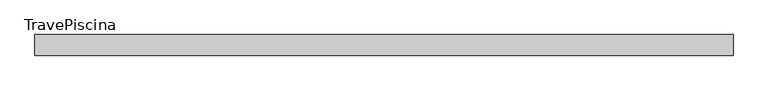
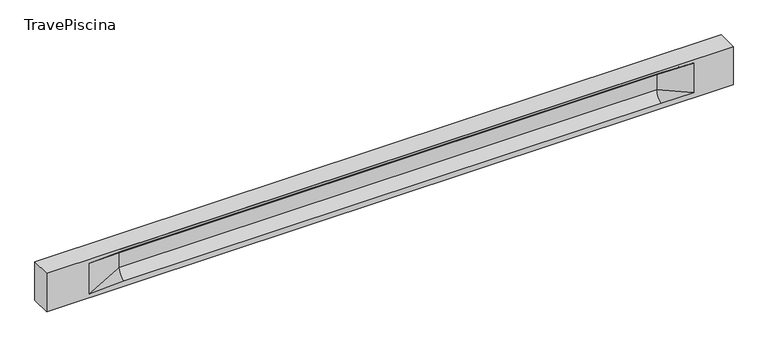
"""IFC4 building model written with IfcOpenShell, lengths in millimetres: beam geometry, TravePiscina."""

import ifcopenshell
import ifcopenshell.guid

model = None  # the IFC model being written
_history = None  # IfcOwnerHistory: only IFC2X3 demands one
_inside = {}  # id of a spatial element -> (the spatial element, [elements in it])
_under = {}  # id of a project, library or spatial element -> (it, [spatial elements below it])
_declared = {}  # id of a project -> (the project, [libraries it declares])
_typed = {}  # id of a type object -> (the type object, [elements of that type])
_made_of = {}  # id of a material, layer set ... -> (it, [elements and type objects made of it])


def new_model(schema):
    """Start an empty IFC model of exactly this schema.

    Asked for "IFC4X3", IfcOpenShell would pick the latest addendum, in which some entities
    have other attributes; the version numbers below select the first issue.
    IFC2X3 requires an IfcOwnerHistory on every rooted entity: one is made here for all.
    """
    global model, _history
    if schema == "IFC4X3":
        model = ifcopenshell.file(schema_version=(4, 3, 0, 0))
    else:
        model = ifcopenshell.file(schema=schema)
    _inside.clear()
    _under.clear()
    _declared.clear()
    _typed.clear()
    _made_of.clear()
    _history = None
    if model.schema == "IFC2X3":
        org = make("IfcOrganization", Name="unknown")
        user = make(
            "IfcPersonAndOrganization",
            ThePerson=make("IfcPerson", FamilyName="unknown"),
            TheOrganization=org,
        )
        app = make(
            "IfcApplication",
            ApplicationDeveloper=org,
            Version="unknown",
            ApplicationFullName="unknown",
            ApplicationIdentifier="unknown",
        )
        _history = make(
            "IfcOwnerHistory",
            OwningUser=user,
            OwningApplication=app,
            ChangeAction="ADDED",
            CreationDate=0,
        )
    return model


def make(cls, **values):
    """One entity of the class cls with the attributes given. An attribute that is None is left unset."""
    return model.create_entity(
        cls, **{name: value for name, value in values.items() if value is not None}
    )


def rooted(cls, **values):
    """An entity with a GlobalId (a new one), such as an element, a storey or a relation."""
    return make(cls, GlobalId=ifcopenshell.guid.new(), OwnerHistory=_history, **values)


def si_unit(unit_type, name, prefix=None):
    """IfcSIUnit, for example si_unit("LENGTHUNIT", "METRE", prefix="MILLI")."""
    return make("IfcSIUnit", UnitType=unit_type, Prefix=prefix, Name=name)


def assignment(units):
    """IfcUnitAssignment: the units of a project."""
    return None if units is None else make("IfcUnitAssignment", Units=units)


def point(xyz):
    """IfcCartesianPoint."""
    return None if xyz is None else make("IfcCartesianPoint", Coordinates=xyz)


def direction(xyz):
    """IfcDirection."""
    return None if xyz is None else make("IfcDirection", DirectionRatios=xyz)


def frame(location, z_axis=None, x_axis=None):
    """IfcAxis2Placement3D, a coordinate frame: its origin and axes. An axis left out is left unset."""
    return make(
        "IfcAxis2Placement3D",
        Location=point(location),
        Axis=direction(z_axis),
        RefDirection=direction(x_axis),
    )


def origin():
    """The frame at (0, 0, 0) with its axes left unset."""
    return frame((0.0, 0.0, 0.0))


def place(relative_to, where):
    """IfcLocalPlacement: puts the frame where relative to a parent placement (None: the world)."""
    return make(
        "IfcLocalPlacement", PlacementRelTo=relative_to, RelativePlacement=where
    )


def context(
    kind, dimensions, precision=None, world=None, true_north=None, identifier=None
):
    """IfcGeometricRepresentationContext, for example the 3D "Model" context."""
    return make(
        "IfcGeometricRepresentationContext",
        ContextIdentifier=identifier,
        ContextType=kind,
        CoordinateSpaceDimension=dimensions,
        Precision=precision,
        WorldCoordinateSystem=world,
        TrueNorth=true_north,
    )


def project(units=None, contexts=None):
    """IfcProject with its units and contexts."""
    return rooted(
        "IfcProject",
        Name="project",
        RepresentationContexts=contexts,
        UnitsInContext=assignment(units),
    )


def spatial(cls, under=None, at=None, **own):
    """A site, building, storey or space (cls), placed at a placement, below another one or the project."""
    s = rooted(cls, ObjectPlacement=at, **own)
    if under is not None:
        _under.setdefault(under.id(), (under, []))[1].append(s)
    return s


def polyline(points):
    """IfcPolyline through the points."""
    return make("IfcPolyline", Points=[point(p) for p in points])


def circle_curve(where, radius):
    """IfcCircle in the frame where."""
    return make("IfcCircle", Position=where, Radius=radius)


def shape(context_of_items, identifier, shape_type, items):
    """IfcShapeRepresentation: the items that make up one representation, for example the "Body"."""
    return make(
        "IfcShapeRepresentation",
        ContextOfItems=context_of_items,
        RepresentationIdentifier=identifier,
        RepresentationType=shape_type,
        Items=items,
    )


def source(mapping_origin, context_of_items, identifier, shape_type, items):
    """IfcRepresentationMap: a shape defined once, which mapped items show again and again."""
    return make(
        "IfcRepresentationMap",
        MappingOrigin=mapping_origin,
        MappedRepresentation=shape(context_of_items, identifier, shape_type, items),
    )


def transform(
    local_origin,
    x_axis=None,
    y_axis=None,
    z_axis=None,
    scale=None,
    scale2=None,
    scale3=None,
    uniform=True,
):
    """IfcCartesianTransformationOperator3D, or its non-uniform kind. x_axis, y_axis, z_axis: its Axis1, 2, 3."""
    if uniform:
        return make(
            "IfcCartesianTransformationOperator3D",
            Axis1=direction(x_axis),
            Axis2=direction(y_axis),
            LocalOrigin=point(local_origin),
            Scale=scale,
            Axis3=direction(z_axis),
        )
    return make(
        "IfcCartesianTransformationOperator3DnonUniform",
        Axis1=direction(x_axis),
        Axis2=direction(y_axis),
        LocalOrigin=point(local_origin),
        Scale=scale,
        Axis3=direction(z_axis),
        Scale2=scale2,
        Scale3=scale3,
    )


def mapped(mapping_source, mapping_target):
    """IfcMappedItem: shows the shape of a source again, moved by a transform."""
    return make(
        "IfcMappedItem", MappingSource=mapping_source, MappingTarget=mapping_target
    )


def made_of(thing, what):
    """Note that an element or type object is made of a material, layer set ...; save() writes the relation."""
    if what is not None:
        _made_of.setdefault(what.id(), (what, []))[1].append(thing)
    return thing


def element(
    cls,
    number,
    at=None,
    inside=None,
    cuts=None,
    type_object=None,
    material=None,
    context=None,
    identifier="Body",
    shape_type=None,
    held_by="IfcProductDefinitionShape",
    body=None,
    shapes=None,
    **own,
):
    """One element of the class cls, such as IfcWall. Its Tag is "e" and its number.

    at: its placement. inside: the storey or other place that contains it. cuts: it is an
    opening in that element (IfcRelVoidsElement). A single representation is given by context,
    identifier, shape_type and body (its items); several are given by shapes. held_by: the class
    of the entity that holds the representations. save() writes the other relations.
    """
    e = rooted(cls, Tag="e%d" % number, ObjectPlacement=at, **own)
    if body is not None:
        shapes = [shape(context, identifier, shape_type, body)]
    if shapes is not None:
        e.Representation = make(held_by, Representations=shapes)
    if inside is not None:
        _inside.setdefault(inside.id(), (inside, []))[1].append(e)
    if cuts is not None:
        rooted(
            "IfcRelVoidsElement", RelatingBuildingElement=cuts, RelatedOpeningElement=e
        )
    if type_object is not None:
        _typed.setdefault(type_object.id(), (type_object, []))[1].append(e)
    return made_of(e, material)


def aggregate(whole, parts):
    """IfcRelAggregates: a whole, such as a stair, and the parts it consists of."""
    return rooted("IfcRelAggregates", RelatingObject=whole, RelatedObjects=parts)


def save(model, path):
    """Write the relations noted so far, then the file.

    IfcRelAggregates (storeys below a building ...), IfcRelContainedInSpatialStructure (elements
    in a storey), IfcRelDefinesByType, IfcRelAssociatesMaterial and IfcRelDeclares: one each for
    every whole, place, type object, material and project.
    """
    for whole, parts in _under.values():
        aggregate(whole, parts)
    for where, things in _inside.values():
        rooted(
            "IfcRelContainedInSpatialStructure",
            RelatedElements=things,
            RelatingStructure=where,
        )
    for kind, things in _typed.values():
        rooted("IfcRelDefinesByType", RelatedObjects=things, RelatingType=kind)
    for what, things in _made_of.values():
        rooted("IfcRelAssociatesMaterial", RelatedObjects=things, RelatingMaterial=what)
    for by, libraries in _declared.values():
        rooted("IfcRelDeclares", RelatingContext=by, RelatedDefinitions=libraries)
    model.write(path)


def plane_surface(at):
    """IfcPlane: the flat surface through the origin of the frame at, square to its z axis."""
    return make("IfcPlane", Position=at)


def revolved_surface(curve, axis_point, axis_direction):
    """IfcSurfaceOfRevolution: the curve turned about the line through axis_point along axis_direction."""
    return make(
        "IfcSurfaceOfRevolution",
        SweptCurve=make("IfcArbitraryOpenProfileDef", ProfileType="CURVE", Curve=curve),
        AxisPosition=make("IfcAxis1Placement", Location=point(axis_point), Axis=direction(axis_direction)),
    )


def spline_surface(u_degree, v_degree, points, u_multiplicities, v_multiplicities, u_knots, v_knots, weights=None):
    """IfcBSplineSurfaceWithKnots; with weights, IfcRationalBSplineSurfaceWithKnots. points: one row for each step in u."""
    own = dict(
        UDegree=u_degree,
        VDegree=v_degree,
        ControlPointsList=[[point(p) for p in row] for row in points],
        SurfaceForm="UNSPECIFIED",
        UClosed=False,
        VClosed=False,
        SelfIntersect=False,
        UMultiplicities=u_multiplicities,
        VMultiplicities=v_multiplicities,
        UKnots=u_knots,
        VKnots=v_knots,
        KnotSpec="UNSPECIFIED",
    )
    if weights is None:
        return make("IfcBSplineSurfaceWithKnots", **own)
    return make("IfcRationalBSplineSurfaceWithKnots", WeightsData=weights, **own)


def advanced_brep(points, edges, surfaces, faces):
    """IfcAdvancedBrep: a solid bounded by faces that lie on surfaces and meet in shared edges.

    An edge is (start, end): straight between two places in points (the first is 0);
    or (start, end, curve); or (start, end, curve, False) where it runs against its curve.
    A face is (place in surfaces, loops), or (place, loops, False) where it looks against
    its surface's normal. A loop lists edges by number (the first is 1), with a minus sign
    where the edge is run from its end to its start. The first loop is the outer one.
    """
    corners = [point(p) for p in points]
    vertices = [make("IfcVertexPoint", VertexGeometry=c) for c in corners]
    made = []
    for start, end, *more in edges:
        made.append(
            make(
                "IfcEdgeCurve",
                EdgeStart=vertices[start],
                EdgeEnd=vertices[end],
                EdgeGeometry=more[0] if more else make("IfcPolyline", Points=[corners[start], corners[end]]),
                SameSense=more[1] if len(more) > 1 else True,
            )
        )
    hull = []
    for where, loops, *sense in faces:
        bounds = []
        for j, loop in enumerate(loops):
            ring = [make("IfcOrientedEdge", EdgeElement=made[abs(k) - 1], Orientation=k > 0) for k in loop]
            bounds.append(
                make(
                    "IfcFaceOuterBound" if j == 0 else "IfcFaceBound",
                    Bound=make("IfcEdgeLoop", EdgeList=ring),
                    Orientation=True,
                )
            )
        hull.append(make("IfcAdvancedFace", Bounds=bounds, FaceSurface=surfaces[where], SameSense=sense[0] if sense else True))
    return make("IfcAdvancedBrep", Outer=make("IfcClosedShell", CfsFaces=hull))


def travepiscina_1288007a(model_context):
    return source(origin(), model_context, "Body", "AdvancedBrep", [
        advanced_brep(
        [(8476.5, -250.0, 500.0), (8476.5, -250.0, -500.0), (8476.5, 250.0, -500.0), (8476.5, 250.0, 500.0), (-8476.5, -250.0, 500.0), (-8476.5, -250.0, -500.0), (7501.5, -250.0, -362.0), (6701.5, -250.0, -360.0), (-6576.5, -250.0, -360.0), (-7426.5, -250.0, -400.0), (-7426.5, -250.0, 400.0), (-6576.5, -250.0, 435.0), (6701.5, -250.0, 435.0), (7501.5, -250.0, 400.0), (-8476.5, 250.0, -500.0), (-8476.5, 250.0, 500.0), (7501.5, 250.0, 400.0), (6701.5, 250.0, 435.0), (-6576.5, 250.0, 435.0), (-7426.5, 250.0, 400.0), (-7426.5, 250.0, -400.0), (-6576.5, 250.0, -360.0), (6701.5, 250.0, -360.0), (7501.5, 250.0, -362.0), (6701.5, 155.0, 405.0), (-6576.5, 155.0, 405.0), (-6576.5, -60.0, 262.777021), (6701.5, -60.0, 262.777021), (6701.5, -155.0, 405.0), (-6576.5, -155.0, 405.0), (-6576.5, 60.0, 262.777021), (6701.5, 60.0, 262.777021), (6701.5, 60.0, -120.0), (-6576.5, 60.0, -120.0), (-6576.5, -60.0, -120.0), (6701.5, -60.0, -120.0)],
        [
            (0, 1),
            (1, 2),
            (2, 3),
            (3, 0),
            (0, 4),
            (4, 5),
            (5, 1),
            (6, 7),
            (7, 8),
            (8, 9),
            (9, 10),
            (10, 11),
            (11, 12),
            (12, 13),
            (13, 6),
            (5, 14),
            (14, 2),
            (14, 15),
            (15, 3),
            (16, 17),
            (17, 18),
            (18, 19),
            (19, 20),
            (20, 21),
            (21, 22),
            (22, 23),
            (23, 16),
            (15, 4),
            (17, 24),
            (24, 25),
            (25, 18),
            (26, 27),
            (27, 28, circle_curve(frame((6701.5, -213.9598725, 262.777021), z_axis=(1.0, 0.0, 0.0), x_axis=(0.0, 1.0, 0.0)), 153.9598725)),
            (28, 29),
            (29, 26, circle_curve(frame((-6576.5, -213.9598725, 262.777021), z_axis=(-1.0, 0.0, 0.0), x_axis=(0.0, 1.0, 0.0)), 153.9598725)),
            (30, 31),
            (31, 32),
            (32, 33),
            (33, 30),
            (28, 12),
            (11, 29),
            (34, 35),
            (35, 27),
            (26, 34),
            (25, 19),
            (22, 32, circle_curve(frame((6701.5, 306.5789474, -120.0), z_axis=(-1.0, 0.0, 0.0), x_axis=(0.0, 1.0, 0.0)), 246.5789474)),
            (32, 23),
            (10, 29),
            (10, 26),
            (13, 28),
            (27, 13),
            (30, 19),
            (25, 30, circle_curve(frame((-6576.5, 213.9598725, 262.777021), z_axis=(1.0, 0.0, 0.0), x_axis=(0.0, 1.0, 0.0)), 153.9598725)),
            (9, 34),
            (8, 34, circle_curve(frame((-6576.5, -306.5789474, -120.0), z_axis=(1.0, 0.0, 0.0), x_axis=(0.0, 1.0, 0.0)), 246.5789474)),
            (20, 33),
            (33, 21, circle_curve(frame((-6576.5, 306.5789474, -120.0), z_axis=(1.0, 0.0, 0.0), x_axis=(0.0, 1.0, 0.0)), 246.5789474)),
            (35, 6),
            (35, 7, circle_curve(frame((6701.5, -306.5789474, -120.0), z_axis=(-1.0, 0.0, 0.0), x_axis=(0.0, 1.0, 0.0)), 246.5789474)),
            (31, 16),
            (31, 24, circle_curve(frame((6701.5, 213.9598725, 262.777021), z_axis=(-1.0, 0.0, 0.0), x_axis=(0.0, 1.0, 0.0)), 153.9598725)),
            (24, 16),
        ],
        [
            plane_surface(frame((8476.5, 0.0, 0.0), z_axis=(1.0, 0.0, 0.0), x_axis=(0.0, 0.0, 1.0))),
            plane_surface(frame((8476.5, -250.0, 500.0), z_axis=(0.0, -1.0, 0.0), x_axis=(-1.0, 0.0, 0.0))),
            plane_surface(frame((8476.5, -250.0, -500.0), z_axis=(0.0, 0.0, -1.0), x_axis=(-1.0, 0.0, 0.0))),
            plane_surface(frame((8476.5, 250.0, -500.0), z_axis=(0.0, 1.0, 0.0), x_axis=(-1.0, 0.0, 0.0))),
            plane_surface(frame((8476.5, 250.0, 500.0), z_axis=(0.0, 0.0, 1.0), x_axis=(-1.0, 0.0, 0.0))),
            plane_surface(frame((-6576.5, 250.0, 435.0), z_axis=(0.0, 0.30113136793710954, -0.9535826651341378), x_axis=(1.0, 0.0, 0.0))),
            plane_surface(frame((-8476.5, 0.0, 0.0), z_axis=(-1.0, 0.0, 0.0), x_axis=(0.0, 0.0, 1.0))),
            revolved_surface(polyline([(6701.5, -60.0, 262.777021), (-6576.5, -60.0, 262.777021)]), (-6576.5, -213.9598725, 262.777021), (1.0, 0.0, 0.0)),
            plane_surface(frame((-6576.5, 60.0, 262.777021), z_axis=(0.0, 1.0, 0.0), x_axis=(1.0, 0.0, 0.0))),
            plane_surface(frame((-6576.5, -155.0, 405.0), z_axis=(0.0, -0.30113136793710693, -0.9535826651341387), x_axis=(1.0, 0.0, 0.0))),
            plane_surface(frame((-6576.5, -60.0, -120.0), z_axis=(0.0, -1.0, 0.0), x_axis=(1.0, 0.0, 0.0))),
            plane_surface(frame((-7426.5, 250.0, 400.0), z_axis=(0.03923493491469425, 0.30089950084952793, -0.9528484193567961), x_axis=(0.0, 0.9535826651341378, 0.30113136793710954))),
            spline_surface(2, 1, [[(6701.5, 250.0, -360.0), (7501.5, 250.0, -362.0)], [(6701.5, 60.00000002887427, -315.20833329480604), (7501.5, 250.0, -362.0)], [(6701.5, 60.0, -120.0), (7501.5, 250.0, -362.0)]], [3, 3], [2, 2], [0.0, 1.0], [0.0, 1.0], weights=[[1.0, 1.0], [0.7840458245391329, 0.7840458245391329], [1.0, 1.0]]),
            plane_surface(frame((-7426.5, -250.0, 400.0), z_axis=(0.03923493491469428, -0.3008995008495253, -0.952848419356797), x_axis=(0.0, 0.9535826651341387, -0.30113136793710693))),
            spline_surface(2, 1, [[(-7426.5, -250.0, 400.0), (-6576.5, -155.0, 405.0)], [(-7426.5, -250.0, 400.0), (-6576.5, -60.00000008030692, 365.6168572114734)], [(-7426.5, -250.0, 400.0), (-6576.5, -60.0, 262.777021)]], [3, 3], [2, 2], [0.0, 1.0], [0.0, 1.0], weights=[[1.0, 1.0], [0.8315515924557569, 0.8315515924557569], [1.0, 1.0]]),
            spline_surface(2, 1, [[(6701.5, -155.0, 405.0), (7501.5, -250.0, 400.0)], [(6701.5, -60.00000008030692, 365.6168572114734), (7501.5, -250.0, 400.0)], [(6701.5, -60.0, 262.777021), (7501.5, -250.0, 400.0)]], [3, 3], [2, 2], [0.0, 1.0], [0.0, 1.0], weights=[[1.0, 1.0], [0.8315515924557569, 0.8315515924557569], [1.0, 1.0]]),
            plane_surface(frame((6701.5, -202.5, 420.0), z_axis=(-0.041682982855687514, -0.30086965068766125, -0.9527538938442274), x_axis=(0.0, 0.9535826651341387, -0.30113136793710693))),
            spline_surface(2, 1, [[(-7426.5, 250.0, 400.0), (-6576.5, 60.0, 262.777021)], [(-7426.5, 250.0, 400.0), (-6576.5, 59.99999995452379, 365.6168572954922)], [(-7426.5, 250.0, 400.0), (-6576.5, 155.0, 405.0)]], [3, 3], [2, 2], [0.0, 1.0], [0.0, 1.0], weights=[[1.0, 1.0], [0.8315515921160737, 0.8315515921160737], [1.0, 1.0]]),
            plane_surface(frame((-7426.5, -250.0, 0.0), z_axis=(0.21814596370705175, -0.9759161534262673, 0.0), x_axis=(0.0, 0.0, -1.0))),
            spline_surface(2, 1, [[(-7426.5, -250.0, -400.0), (-6576.5, -60.0, -120.0)], [(-7426.5, -250.0, -400.0), (-6576.5, -59.99999998020837, -315.20833333333337)], [(-7426.5, -250.0, -400.0), (-6576.5, -250.0, -360.0)]], [3, 3], [2, 2], [0.0, 1.0], [0.0, 1.0], weights=[[1.0, 1.0], [0.7840458244617614, 0.7840458244617614], [1.0, 1.0]]),
            spline_surface(2, 1, [[(-7426.5, 250.0, -400.0), (-6576.5, 250.0, -360.0)], [(-7426.5, 250.0, -400.0), (-6576.5, 60.00000002887427, -315.20833329480604)], [(-7426.5, 250.0, -400.0), (-6576.5, 60.0, -120.0)]], [3, 3], [2, 2], [0.0, 1.0], [0.0, 1.0], weights=[[1.0, 1.0], [0.7840458245391329, 0.7840458245391329], [1.0, 1.0]]),
            plane_surface(frame((-7426.5, 250.0, 0.0), z_axis=(0.2181459637070477, 0.9759161534262683, 0.0), x_axis=(0.0, 0.0, 1.0))),
            plane_surface(frame((6701.5, -60.0, 71.3885105), z_axis=(-0.23107243079589768, -0.9729365507195602, 0.0), x_axis=(0.0, 0.0, -1.0))),
            spline_surface(2, 1, [[(6701.5, -60.0, -120.0), (7501.5, -250.0, -362.0)], [(6701.5, -59.99999998020837, -315.20833333333337), (7501.5, -250.0, -362.0)], [(6701.5, -250.0, -360.0), (7501.5, -250.0, -362.0)]], [3, 3], [2, 2], [0.0, 1.0], [0.0, 1.0], weights=[[1.0, 1.0], [0.7840458244617614, 0.7840458244617614], [1.0, 1.0]]),
            plane_surface(frame((6701.5, 60.0, 71.3885105), z_axis=(-0.2310724307958912, 0.9729365507195616, 0.0), x_axis=(0.0, 0.0, 1.0))),
            spline_surface(2, 1, [[(6701.5, 60.0, 262.777021), (7501.5, 250.0, 400.0)], [(6701.5, 59.99999995452379, 365.6168572954922), (7501.5, 250.0, 400.0)], [(6701.5, 155.0, 405.0), (7501.5, 250.0, 400.0)]], [3, 3], [2, 2], [0.0, 1.0], [0.0, 1.0], weights=[[1.0, 1.0], [0.8315515921160737, 0.8315515921160737], [1.0, 1.0]]),
            plane_surface(frame((6701.5, 202.5, 420.0), z_axis=(-0.04168298285568677, 0.30086965068766386, -0.9527538938442265), x_axis=(0.0, 0.9535826651341378, 0.30113136793710954))),
            revolved_surface(polyline([(6701.5, 367.919745, 262.777021), (-6576.5, 367.919745, 262.777021)]), (-6576.5, 213.9598725, 262.777021), (1.0, 0.0, 0.0)),
            revolved_surface(polyline([(6701.5, 553.1578948, -120.0), (-6576.5, 553.1578948, -120.0)]), (-6576.5, 306.5789474, -120.0), (1.0, 0.0, 0.0)),
            revolved_surface(polyline([(6701.5, -60.0, -120.0), (-6576.5, -60.0, -120.0)]), (-6576.5, -306.5789474, -120.0), (1.0, 0.0, 0.0)),
        ],
        [
            (0, [[1, 2, 3, 4]]),
            (1, [[-1, 5, 6, 7], [8, 9, 10, 11, 12, 13, 14, 15]]),
            (2, [[-2, -7, 16, 17]]),
            (3, [[-3, -17, 18, 19], [20, 21, 22, 23, 24, 25, 26, 27]]),
            (4, [[-5, -4, -19, 28]]),
            (5, [[-21, 29, 30, 31]]),
            (6, [[-28, -18, -16, -6]]),
            (7, [[32, 33, 34, 35]]),
            (8, [[36, 37, 38, 39]]),
            (9, [[-34, 40, -13, 41]]),
            (10, [[42, 43, -32, 44]]),
            (11, [[45, -22, -31]]),
            (12, [[-26, 46, 47]]),
            (13, [[-12, 48, -41]]),
            (14, [[-48, 49, -35]]),
            (15, [[50, -33, 51]]),
            (16, [[-14, -40, -50]]),
            (17, [[52, -45, 53]]),
            (18, [[-49, -11, 54, -44]]),
            (19, [[-54, -10, 55]]),
            (20, [[-24, 56, 57]]),
            (21, [[-52, -39, -56, -23]]),
            (22, [[-51, -43, 58, -15]]),
            (23, [[-58, 59, -8]]),
            (24, [[-47, -37, 60, -27]]),
            (25, [[-60, 61, 62]]),
            (26, [[-62, -29, -20]]),
            (27, [[-30, -61, -36, -53]]),
            (28, [[-38, -46, -25, -57]]),
            (29, [[-9, -59, -42, -55]]),
        ],
    ),
    ])


if __name__ == "__main__":
    model = new_model("IFC4")
    model_context = context("Model", 3, world=origin())
    ifc_project = project(units=[si_unit("LENGTHUNIT", "METRE", prefix="MILLI")], contexts=[model_context])
    site = spatial("IfcSite", under=ifc_project)
    building = spatial("IfcBuilding", under=site)
    placement = place(None, origin())
    travepiscina_shape = travepiscina_1288007a(model_context)
    element("IfcBeam", 1, ObjectType="TravePiscina", at=placement, inside=building, context=model_context, shape_type="MappedRepresentation", body=[
        mapped(travepiscina_shape, transform((0.0, 0.0, 0.0), x_axis=(1.0, 0.0, 0.0), y_axis=(0.0, 1.0, 0.0), z_axis=(0.0, 0.0, 1.0))),
    ])
    save(model, "model.ifc")
